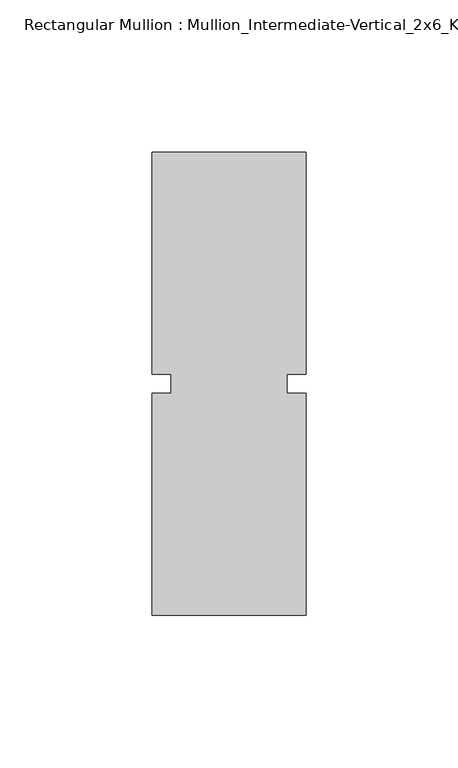
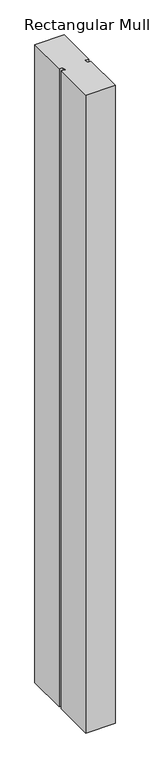
"""IFC4 building model written with IfcOpenShell, lengths in millimetres: member geometry, Rectangular Mullion : Mullion_Intermediate-Vertical_2x6_Kawneer."""

from ifc_helpers import new_model, si_unit, frame, origin, place, context, project, spatial, polyline, outline, extrude, source, transform, mapped, element, save


def rectangular_mullion_mullion_intermediate_vertical_2x6_9db7fb5b(model_context):
    return source(origin(), model_context, "Body", "SweptSolid", [
        extrude(outline(polyline([(25.4, -76.2), (-25.4, -76.2), (-25.4, -3.175), (-19.05, -3.175), (-19.05, 3.175), (-25.4, 3.175), (-25.4, 76.2), (25.4, 76.2), (25.4, 3.175), (19.05, 3.175), (19.05, -3.175), (25.4, -3.175), (25.4, -76.2)])), frame((0.0, 0.0, -1168.4), z_axis=(0.0, 0.0, 1.0), x_axis=(1.0, 0.0, 0.0)), (0.0, 0.0, 1.0), 1168.4),
    ])


if __name__ == "__main__":
    model = new_model("IFC4")
    model_context = context("Model", 3, world=origin())
    ifc_project = project(units=[si_unit("LENGTHUNIT", "METRE", prefix="MILLI")], contexts=[model_context])
    site = spatial("IfcSite", under=ifc_project)
    building = spatial("IfcBuilding", under=site)
    placement = place(None, origin())
    rectangular_mullion_mullion_intermediate_vertical_2x6_shape = rectangular_mullion_mullion_intermediate_vertical_2x6_9db7fb5b(model_context)
    element("IfcMember", 1, ObjectType="Rectangular Mullion : Mullion_Intermediate-Vertical_2x6_Kawneer", at=placement, inside=building, context=model_context, shape_type="MappedRepresentation", body=[
        mapped(rectangular_mullion_mullion_intermediate_vertical_2x6_shape, transform((0.0, 0.0, 0.0), x_axis=(1.0, 0.0, 0.0), y_axis=(0.0, 1.0, 0.0), z_axis=(0.0, 0.0, 1.0))),
    ])
    save(model, "model.ifc")
